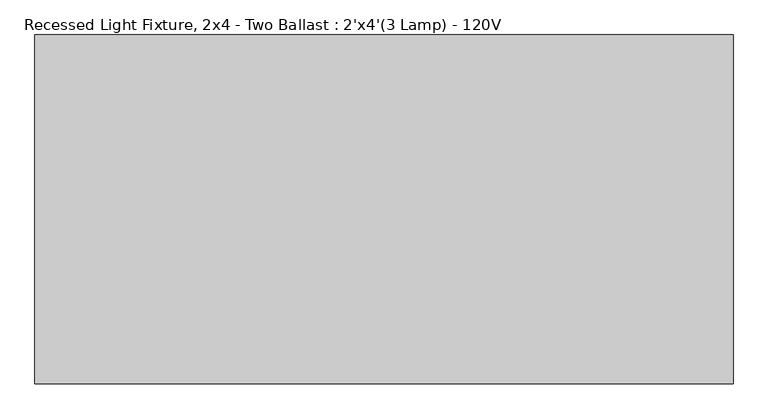
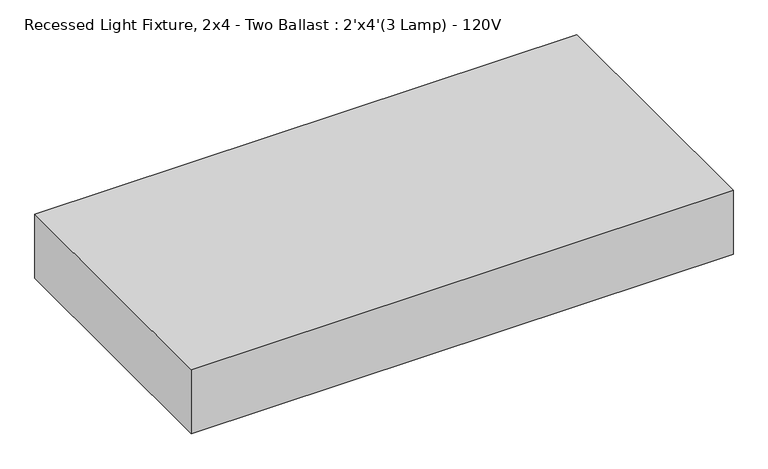
"""IFC4 building model written with IfcOpenShell, lengths in millimetres: light fixture geometry, Recessed Light Fixture, 2x4 - Two Ballast : 2'x4'(3 Lamp) - 120V."""

from ifc_helpers import new_model, si_unit, frame, origin, place, context, project, spatial, polyline, outline, extrude, source, transform, mapped, element, save


def recessed_light_fixture_2x4_two_ballast_2_x4_3_lamp_120v_3ec44f74(model_context):
    return source(origin(), model_context, "Body", "SweptSolid", [
        extrude(outline(polyline([(1219.2, 0.0), (1219.2, -609.6), (0.0, -609.6), (0.0, 0.0), (1219.2, 0.0)])), frame((0.0, 0.0, -152.4), z_axis=(0.0, 0.0, 1.0), x_axis=(1.0, 0.0, 0.0)), (0.0, 0.0, 1.0), 152.4),
    ])


if __name__ == "__main__":
    model = new_model("IFC4")
    model_context = context("Model", 3, world=origin())
    ifc_project = project(units=[si_unit("LENGTHUNIT", "METRE", prefix="MILLI")], contexts=[model_context])
    site = spatial("IfcSite", under=ifc_project)
    building = spatial("IfcBuilding", under=site)
    placement = place(None, origin())
    recessed_light_fixture_2x4_two_ballast_2_x4_3_lamp_120v_shape = recessed_light_fixture_2x4_two_ballast_2_x4_3_lamp_120v_3ec44f74(model_context)
    element("IfcLightFixture", 1, ObjectType="Recessed Light Fixture, 2x4 - Two Ballast : 2'x4'(3 Lamp) - 120V", at=placement, inside=building, context=model_context, shape_type="MappedRepresentation", body=[
        mapped(recessed_light_fixture_2x4_two_ballast_2_x4_3_lamp_120v_shape, transform((0.0, 0.0, 0.0), x_axis=(1.0, 0.0, 0.0), y_axis=(0.0, 1.0, 0.0), z_axis=(0.0, 0.0, 1.0))),
    ])
    save(model, "model.ifc")
